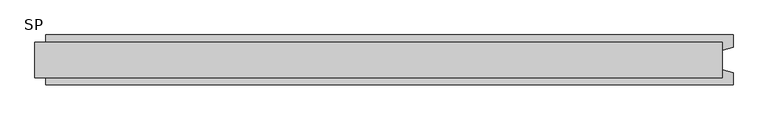
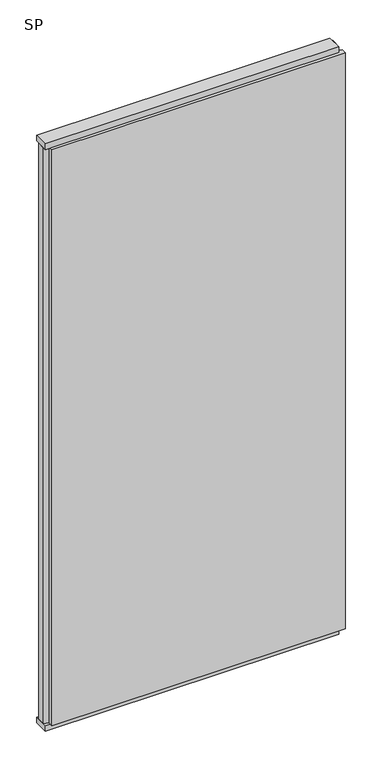
"""IFC4 building model written with IfcOpenShell, lengths in millimetres: plate geometry, SP."""

import ifcopenshell
import ifcopenshell.guid

model = None  # the IFC model being written
_history = None  # IfcOwnerHistory: only IFC2X3 demands one
_inside = {}  # id of a spatial element -> (the spatial element, [elements in it])
_under = {}  # id of a project, library or spatial element -> (it, [spatial elements below it])
_declared = {}  # id of a project -> (the project, [libraries it declares])
_typed = {}  # id of a type object -> (the type object, [elements of that type])
_made_of = {}  # id of a material, layer set ... -> (it, [elements and type objects made of it])


def new_model(schema):
    """Start an empty IFC model of exactly this schema.

    Asked for "IFC4X3", IfcOpenShell would pick the latest addendum, in which some entities
    have other attributes; the version numbers below select the first issue.
    IFC2X3 requires an IfcOwnerHistory on every rooted entity: one is made here for all.
    """
    global model, _history
    if schema == "IFC4X3":
        model = ifcopenshell.file(schema_version=(4, 3, 0, 0))
    else:
        model = ifcopenshell.file(schema=schema)
    _inside.clear()
    _under.clear()
    _declared.clear()
    _typed.clear()
    _made_of.clear()
    _history = None
    if model.schema == "IFC2X3":
        org = make("IfcOrganization", Name="unknown")
        user = make(
            "IfcPersonAndOrganization",
            ThePerson=make("IfcPerson", FamilyName="unknown"),
            TheOrganization=org,
        )
        app = make(
            "IfcApplication",
            ApplicationDeveloper=org,
            Version="unknown",
            ApplicationFullName="unknown",
            ApplicationIdentifier="unknown",
        )
        _history = make(
            "IfcOwnerHistory",
            OwningUser=user,
            OwningApplication=app,
            ChangeAction="ADDED",
            CreationDate=0,
        )
    return model


def make(cls, **values):
    """One entity of the class cls with the attributes given. An attribute that is None is left unset."""
    return model.create_entity(
        cls, **{name: value for name, value in values.items() if value is not None}
    )


def rooted(cls, **values):
    """An entity with a GlobalId (a new one), such as an element, a storey or a relation."""
    return make(cls, GlobalId=ifcopenshell.guid.new(), OwnerHistory=_history, **values)


def si_unit(unit_type, name, prefix=None):
    """IfcSIUnit, for example si_unit("LENGTHUNIT", "METRE", prefix="MILLI")."""
    return make("IfcSIUnit", UnitType=unit_type, Prefix=prefix, Name=name)


def assignment(units):
    """IfcUnitAssignment: the units of a project."""
    return None if units is None else make("IfcUnitAssignment", Units=units)


def point(xyz):
    """IfcCartesianPoint."""
    return None if xyz is None else make("IfcCartesianPoint", Coordinates=xyz)


def direction(xyz):
    """IfcDirection."""
    return None if xyz is None else make("IfcDirection", DirectionRatios=xyz)


def frame(location, z_axis=None, x_axis=None):
    """IfcAxis2Placement3D, a coordinate frame: its origin and axes. An axis left out is left unset."""
    return make(
        "IfcAxis2Placement3D",
        Location=point(location),
        Axis=direction(z_axis),
        RefDirection=direction(x_axis),
    )


def origin():
    """The frame at (0, 0, 0) with its axes left unset."""
    return frame((0.0, 0.0, 0.0))


def origin_with_axes():
    """The frame at (0, 0, 0) with the z axis (0, 0, 1) and the x axis (1, 0, 0) written out."""
    return frame((0.0, 0.0, 0.0), z_axis=(0.0, 0.0, 1.0), x_axis=(1.0, 0.0, 0.0))


def place(relative_to, where):
    """IfcLocalPlacement: puts the frame where relative to a parent placement (None: the world)."""
    return make(
        "IfcLocalPlacement", PlacementRelTo=relative_to, RelativePlacement=where
    )


def context(
    kind, dimensions, precision=None, world=None, true_north=None, identifier=None
):
    """IfcGeometricRepresentationContext, for example the 3D "Model" context."""
    return make(
        "IfcGeometricRepresentationContext",
        ContextIdentifier=identifier,
        ContextType=kind,
        CoordinateSpaceDimension=dimensions,
        Precision=precision,
        WorldCoordinateSystem=world,
        TrueNorth=true_north,
    )


def project(units=None, contexts=None):
    """IfcProject with its units and contexts."""
    return rooted(
        "IfcProject",
        Name="project",
        RepresentationContexts=contexts,
        UnitsInContext=assignment(units),
    )


def spatial(cls, under=None, at=None, **own):
    """A site, building, storey or space (cls), placed at a placement, below another one or the project."""
    s = rooted(cls, ObjectPlacement=at, **own)
    if under is not None:
        _under.setdefault(under.id(), (under, []))[1].append(s)
    return s


def polyline(points):
    """IfcPolyline through the points."""
    return make("IfcPolyline", Points=[point(p) for p in points])


def outline(outer, holes=None, kind="AREA"):
    """IfcArbitraryClosedProfileDef: a profile drawn as a closed curve; with holes, ...WithVoids."""
    if holes is None:
        return make("IfcArbitraryClosedProfileDef", ProfileType=kind, OuterCurve=outer)
    return make(
        "IfcArbitraryProfileDefWithVoids",
        ProfileType=kind,
        OuterCurve=outer,
        InnerCurves=holes,
    )


def extrude(swept, where, along, depth):
    """IfcExtrudedAreaSolid: the profile swept, set in the frame where, extruded along a direction by depth."""
    return make(
        "IfcExtrudedAreaSolid",
        SweptArea=swept,
        Position=where,
        ExtrudedDirection=direction(along),
        Depth=depth,
    )


def shape(context_of_items, identifier, shape_type, items):
    """IfcShapeRepresentation: the items that make up one representation, for example the "Body"."""
    return make(
        "IfcShapeRepresentation",
        ContextOfItems=context_of_items,
        RepresentationIdentifier=identifier,
        RepresentationType=shape_type,
        Items=items,
    )


def source(mapping_origin, context_of_items, identifier, shape_type, items):
    """IfcRepresentationMap: a shape defined once, which mapped items show again and again."""
    return make(
        "IfcRepresentationMap",
        MappingOrigin=mapping_origin,
        MappedRepresentation=shape(context_of_items, identifier, shape_type, items),
    )


def transform(
    local_origin,
    x_axis=None,
    y_axis=None,
    z_axis=None,
    scale=None,
    scale2=None,
    scale3=None,
    uniform=True,
):
    """IfcCartesianTransformationOperator3D, or its non-uniform kind. x_axis, y_axis, z_axis: its Axis1, 2, 3."""
    if uniform:
        return make(
            "IfcCartesianTransformationOperator3D",
            Axis1=direction(x_axis),
            Axis2=direction(y_axis),
            LocalOrigin=point(local_origin),
            Scale=scale,
            Axis3=direction(z_axis),
        )
    return make(
        "IfcCartesianTransformationOperator3DnonUniform",
        Axis1=direction(x_axis),
        Axis2=direction(y_axis),
        LocalOrigin=point(local_origin),
        Scale=scale,
        Axis3=direction(z_axis),
        Scale2=scale2,
        Scale3=scale3,
    )


def mapped(mapping_source, mapping_target):
    """IfcMappedItem: shows the shape of a source again, moved by a transform."""
    return make(
        "IfcMappedItem", MappingSource=mapping_source, MappingTarget=mapping_target
    )


def made_of(thing, what):
    """Note that an element or type object is made of a material, layer set ...; save() writes the relation."""
    if what is not None:
        _made_of.setdefault(what.id(), (what, []))[1].append(thing)
    return thing


def element(
    cls,
    number,
    at=None,
    inside=None,
    cuts=None,
    type_object=None,
    material=None,
    context=None,
    identifier="Body",
    shape_type=None,
    held_by="IfcProductDefinitionShape",
    body=None,
    shapes=None,
    **own,
):
    """One element of the class cls, such as IfcWall. Its Tag is "e" and its number.

    at: its placement. inside: the storey or other place that contains it. cuts: it is an
    opening in that element (IfcRelVoidsElement). A single representation is given by context,
    identifier, shape_type and body (its items); several are given by shapes. held_by: the class
    of the entity that holds the representations. save() writes the other relations.
    """
    e = rooted(cls, Tag="e%d" % number, ObjectPlacement=at, **own)
    if body is not None:
        shapes = [shape(context, identifier, shape_type, body)]
    if shapes is not None:
        e.Representation = make(held_by, Representations=shapes)
    if inside is not None:
        _inside.setdefault(inside.id(), (inside, []))[1].append(e)
    if cuts is not None:
        rooted(
            "IfcRelVoidsElement", RelatingBuildingElement=cuts, RelatedOpeningElement=e
        )
    if type_object is not None:
        _typed.setdefault(type_object.id(), (type_object, []))[1].append(e)
    return made_of(e, material)


def aggregate(whole, parts):
    """IfcRelAggregates: a whole, such as a stair, and the parts it consists of."""
    return rooted("IfcRelAggregates", RelatingObject=whole, RelatedObjects=parts)


def save(model, path):
    """Write the relations noted so far, then the file.

    IfcRelAggregates (storeys below a building ...), IfcRelContainedInSpatialStructure (elements
    in a storey), IfcRelDefinesByType, IfcRelAssociatesMaterial and IfcRelDeclares: one each for
    every whole, place, type object, material and project.
    """
    for whole, parts in _under.values():
        aggregate(whole, parts)
    for where, things in _inside.values():
        rooted(
            "IfcRelContainedInSpatialStructure",
            RelatedElements=things,
            RelatingStructure=where,
        )
    for kind, things in _typed.values():
        rooted("IfcRelDefinesByType", RelatedObjects=things, RelatingType=kind)
    for what, things in _made_of.values():
        rooted("IfcRelAssociatesMaterial", RelatedObjects=things, RelatingMaterial=what)
    for by, libraries in _declared.values():
        rooted("IfcRelDeclares", RelatingContext=by, RelatedDefinitions=libraries)
    model.write(path)


def sp_c6fa93f7(model_context):
    return source(origin(), model_context, "Body", "SweptSolid", [
        extrude(outline(polyline([(620.0, 32.0), (620.0, -32.0), (-620.0, -32.0), (-620.0, 32.0), (620.0, 32.0)])), origin_with_axes(), (0.0, 0.0, 1.0), 25.0),
        extrude(outline(polyline([(620.0, 32.0), (620.0, -32.0), (-620.0, -32.0), (-620.0, 32.0), (620.0, 32.0)])), frame((0.0, 0.0, 2602.0), z_axis=(0.0, 0.0, 1.0), x_axis=(1.0, 0.0, 0.0)), (0.0, 0.0, 1.0), 25.0),
        extrude(outline(polyline([(640.0, 45.0), (640.0, 22.9993165), (620.0, 17.6401049), (620.0, -17.6401049), (640.0, -22.9993165), (640.0, -45.0), (-600.0, -45.0), (-600.0, -22.9993165), (-620.0, -17.6401049), (-620.0, 17.6401049), (-600.0, 22.9993165), (-600.0, 45.0), (640.0, 45.0)])), frame((0.0, 0.0, 25.0), z_axis=(0.0, 0.0, 1.0), x_axis=(1.0, 0.0, 0.0)), (0.0, 0.0, 1.0), 2577.0),
    ])


if __name__ == "__main__":
    model = new_model("IFC4")
    model_context = context("Model", 3, world=origin())
    ifc_project = project(units=[si_unit("LENGTHUNIT", "METRE", prefix="MILLI")], contexts=[model_context])
    site = spatial("IfcSite", under=ifc_project)
    building = spatial("IfcBuilding", under=site)
    placement = place(None, origin())
    sp_shape = sp_c6fa93f7(model_context)
    element("IfcPlate", 1, ObjectType="SP", at=placement, inside=building, context=model_context, shape_type="MappedRepresentation", body=[
        mapped(sp_shape, transform((0.0, 0.0, 0.0), x_axis=(1.0, 0.0, 0.0), y_axis=(0.0, 1.0, 0.0), z_axis=(0.0, 0.0, 1.0))),
    ])
    save(model, "model.ifc")
